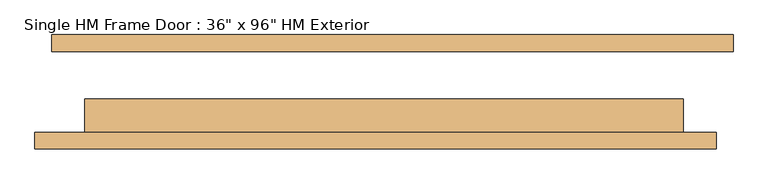
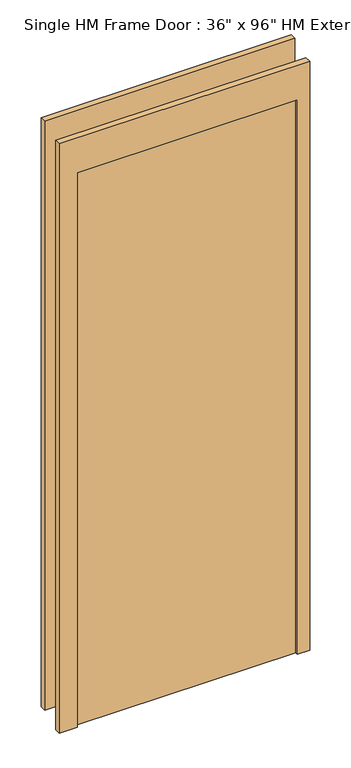
"""IFC4 building model written with IfcOpenShell, lengths in millimetres: door geometry."""

from ifc_helpers import new_model, si_unit, frame, origin, origin_with_axes, place, context, project, spatial, polyline, outline, extrude, source, transform, mapped, element, save


def door_fffd099f(model_context):
    return source(origin(), model_context, "Body", "SweptSolid", [
        extrude(outline(polyline([(2590.8, -533.4), (0.0, -533.4), (0.0, -457.2), (2438.4, -457.2), (2438.4, 457.2), (0.0, 457.2), (0.0, 508.0), (2590.8, 508.0), (2590.8, -533.4)])), frame((0.0, -87.3125, 0.0), z_axis=(0.0, 1.0, 0.0), x_axis=(0.0, 0.0, 1.0)), (0.0, 0.0, 1.0), 25.4),
        extrude(outline(polyline([(2590.8, 533.4), (2590.8, -508.0), (0.0, -508.0), (0.0, -457.2), (2438.4, -457.2), (2438.4, 457.2), (0.0, 457.2), (0.0, 533.4), (2590.8, 533.4)])), frame((0.0, 61.9125, 0.0), z_axis=(0.0, 1.0, 0.0), x_axis=(0.0, 0.0, 1.0)), (0.0, 0.0, 1.0), 25.4),
        extrude(outline(polyline([(457.2, -11.1125), (457.2, -76.2), (-457.2, -76.2), (-457.2, -11.1125), (457.2, -11.1125)])), origin_with_axes(), (0.0, 0.0, 1.0), 2438.4),
    ])


if __name__ == "__main__":
    model = new_model("IFC4")
    model_context = context("Model", 3, world=origin())
    ifc_project = project(units=[si_unit("LENGTHUNIT", "METRE", prefix="MILLI")], contexts=[model_context])
    site = spatial("IfcSite", under=ifc_project)
    building = spatial("IfcBuilding", under=site)
    placement = place(None, origin())
    door_shape = door_fffd099f(model_context)
    element("IfcDoor", 1, ObjectType="Single HM Frame Door : 36\" x 96\" HM Exterior", at=placement, inside=building, context=model_context, shape_type="MappedRepresentation", body=[
        mapped(door_shape, transform((0.0, 0.0, 0.0), x_axis=(1.0, 0.0, 0.0), y_axis=(0.0, 1.0, 0.0), z_axis=(0.0, 0.0, 1.0))),
    ])
    save(model, "model.ifc")
